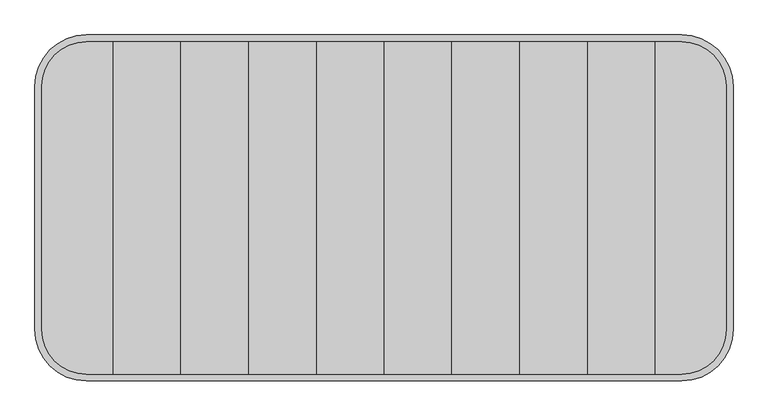
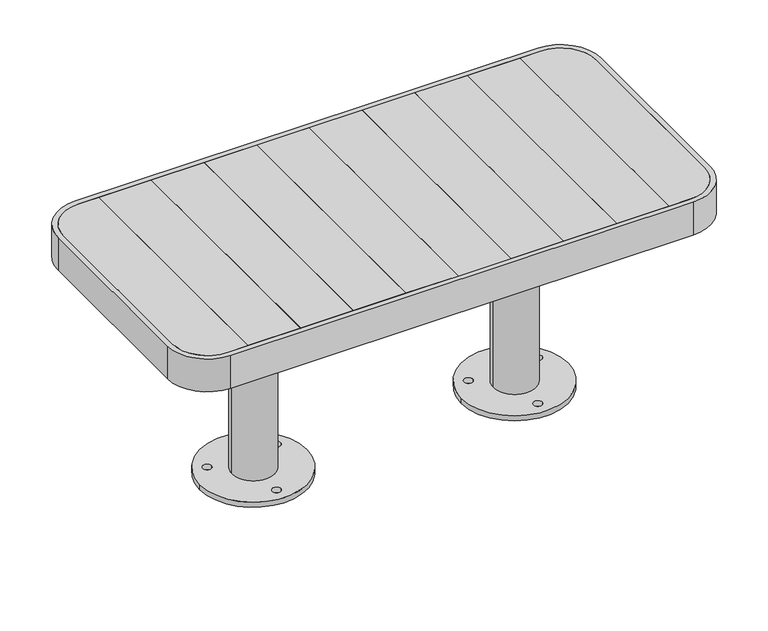
"""IFC4 building model written with IfcOpenShell, lengths in millimetres: furniture geometry."""

from ifc_helpers import new_model, si_unit, point, frame, frame_2d, origin, origin_with_axes, place, context, project, spatial, polyline, circle_curve, trimmed, segment, composite_curve, outline, extrude, source, transform, mapped, element, save
from ifc_brep_helpers import plane_surface, cylinder_surface, advanced_brep


def furniture_9f7af8c6(model_context):
    return source(origin(), model_context, "Body", "SolidModel", [
        extrude(outline(composite_curve([segment(trimmed(circle_curve(frame_2d((244.7728082, 0.0)), 100.0), [point((344.7728082, 0.0))], [point((144.7728082, 0.0))], False, "CARTESIAN"), True, "CONTINUOUS"), segment(trimmed(circle_curve(frame_2d((244.7728082, 0.0)), 100.0), [point((144.7728082, 0.0))], [point((344.7728082, 0.0))], False, "CARTESIAN"), True, "CONTINUOUS")], self_intersect=False), holes=[composite_curve([segment(trimmed(circle_curve(frame_2d((309.7299968, 37.4460209)), 8.0), [point((317.7299968, 37.4460209))], [point((301.7299968, 37.4460209))], True, "CARTESIAN"), True, "CONTINUOUS"), segment(trimmed(circle_curve(frame_2d((309.7299968, 37.4460209)), 8.0), [point((301.7299968, 37.4460209))], [point((317.7299968, 37.4460209))], True, "CARTESIAN"), True, "CONTINUOUS")], self_intersect=False), composite_curve([segment(trimmed(circle_curve(frame_2d((179.7299968, 37.4460209)), 8.0), [point((187.7299968, 37.4460209))], [point((171.7299968, 37.4460209))], True, "CARTESIAN"), True, "CONTINUOUS"), segment(trimmed(circle_curve(frame_2d((179.7299968, 37.4460209)), 8.0), [point((171.7299968, 37.4460209))], [point((187.7299968, 37.4460209))], True, "CARTESIAN"), True, "CONTINUOUS")], self_intersect=False), composite_curve([segment(trimmed(circle_curve(frame_2d((244.7299968, -75.1372816)), 8.0), [point((252.7299968, -75.1372816))], [point((236.7299968, -75.1372816))], True, "CARTESIAN"), True, "CONTINUOUS"), segment(trimmed(circle_curve(frame_2d((244.7299968, -75.1372816)), 8.0), [point((236.7299968, -75.1372816))], [point((252.7299968, -75.1372816))], True, "CARTESIAN"), True, "CONTINUOUS")], self_intersect=False)]), origin_with_axes(), (0.0, 0.0, 1.0), 9.9997207),
        extrude(outline(composite_curve([segment(trimmed(circle_curve(frame_2d((244.75, 0.0)), 40.0), [point((284.75, 0.0))], [point((204.75, 0.0))], False, "CARTESIAN"), True, "CONTINUOUS"), segment(trimmed(circle_curve(frame_2d((244.75, 0.0)), 40.0), [point((204.75, 0.0))], [point((284.75, 0.0))], False, "CARTESIAN"), True, "CONTINUOUS")], self_intersect=False)), origin_with_axes(), (0.0, 0.0, 1.0), 418.0),
        extrude(outline(composite_curve([segment(trimmed(circle_curve(frame_2d((-244.7728082, 0.0)), 100.0), [point((-344.7728082, 0.0))], [point((-144.7728082, 0.0))], False, "CARTESIAN"), True, "CONTINUOUS"), segment(trimmed(circle_curve(frame_2d((-244.7728082, 0.0)), 100.0), [point((-144.7728082, 0.0))], [point((-344.7728082, 0.0))], False, "CARTESIAN"), True, "CONTINUOUS")], self_intersect=False), holes=[composite_curve([segment(trimmed(circle_curve(frame_2d((-309.7299968, 37.4460209)), 8.0), [point((-317.7299968, 37.4460209))], [point((-301.7299968, 37.4460209))], True, "CARTESIAN"), True, "CONTINUOUS"), segment(trimmed(circle_curve(frame_2d((-309.7299968, 37.4460209)), 8.0), [point((-301.7299968, 37.4460209))], [point((-317.7299968, 37.4460209))], True, "CARTESIAN"), True, "CONTINUOUS")], self_intersect=False), composite_curve([segment(trimmed(circle_curve(frame_2d((-179.7299968, 37.4460209)), 8.0), [point((-187.7299968, 37.4460209))], [point((-171.7299968, 37.4460209))], True, "CARTESIAN"), True, "CONTINUOUS"), segment(trimmed(circle_curve(frame_2d((-179.7299968, 37.4460209)), 8.0), [point((-171.7299968, 37.4460209))], [point((-187.7299968, 37.4460209))], True, "CARTESIAN"), True, "CONTINUOUS")], self_intersect=False), composite_curve([segment(trimmed(circle_curve(frame_2d((-244.7299968, -75.1372816)), 8.0), [point((-252.7299968, -75.1372816))], [point((-236.7299968, -75.1372816))], True, "CARTESIAN"), True, "CONTINUOUS"), segment(trimmed(circle_curve(frame_2d((-244.7299968, -75.1372816)), 8.0), [point((-236.7299968, -75.1372816))], [point((-252.7299968, -75.1372816))], True, "CARTESIAN"), True, "CONTINUOUS")], self_intersect=False)]), origin_with_axes(), (0.0, 0.0, 1.0), 9.9997207),
        extrude(outline(composite_curve([segment(trimmed(circle_curve(frame_2d((-244.75, 0.0)), 40.0), [point((-284.75, 0.0))], [point((-204.75, 0.0))], False, "CARTESIAN"), True, "CONTINUOUS"), segment(trimmed(circle_curve(frame_2d((-244.75, 0.0)), 40.0), [point((-204.75, 0.0))], [point((-284.75, 0.0))], False, "CARTESIAN"), True, "CONTINUOUS")], self_intersect=False)), origin_with_axes(), (0.0, 0.0, 1.0), 418.0),
        extrude(outline(composite_curve([segment(polyline([(498.4574582, 177.0), (498.4574582, -177.0)]), True, "CONTINUOUS"), segment(trimmed(circle_curve(frame_2d((433.4574582, -177.0)), 65.0), [point((498.4574582, -177.0))], [point((433.4574582, -242.0))], False, "CARTESIAN"), True, "CONTINUOUS"), segment(polyline([(433.4574582, -242.0), (394.8, -242.0), (394.8, 242.0), (433.4574582, 242.0)]), True, "CONTINUOUS"), segment(trimmed(circle_curve(frame_2d((433.4574582, 177.0)), 65.0), [point((433.4574582, 242.0))], [point((498.4574582, 177.0))], False, "CARTESIAN"), True, "CONTINUOUS")], self_intersect=False)), frame((0.0, 0.0, 422.0), z_axis=(0.0, 0.0, 1.0), x_axis=(1.0, 0.0, 0.0)), (0.0, 0.0, 1.0), 28.0),
        extrude(outline(polyline([(296.1, -242.0), (197.4, -242.0), (197.4, 242.0), (296.1, 242.0), (296.1, -242.0)])), frame((0.0, 0.0, 422.0), z_axis=(0.0, 0.0, 1.0), x_axis=(1.0, 0.0, 0.0)), (0.0, 0.0, 1.0), 28.0),
        extrude(outline(polyline([(197.4, -242.0), (98.7, -242.0), (98.7, 242.0), (197.4, 242.0), (197.4, -242.0)])), frame((0.0, 0.0, 422.0), z_axis=(0.0, 0.0, 1.0), x_axis=(1.0, 0.0, 0.0)), (0.0, 0.0, 1.0), 28.0),
        extrude(outline(polyline([(98.7, -242.0), (0.0, -242.0), (0.0, 242.0), (98.7, 242.0), (98.7, -242.0)])), frame((0.0, 0.0, 422.0), z_axis=(0.0, 0.0, 1.0), x_axis=(1.0, 0.0, 0.0)), (0.0, 0.0, 1.0), 28.0),
        extrude(outline(polyline([(394.8, -242.0), (296.1, -242.0), (296.1, 242.0), (394.8, 242.0), (394.8, -242.0)])), frame((0.0, 0.0, 422.0), z_axis=(0.0, 0.0, 1.0), x_axis=(1.0, 0.0, 0.0)), (0.0, 0.0, 1.0), 28.0),
        advanced_brep(
        [(-498.4574582, 177.0, 418.0), (-433.4574582, 242.0, 418.0), (433.4574582, 242.0, 418.0), (498.4574582, 177.0, 418.0), (498.4574582, -177.0, 418.0), (433.4574582, -242.0, 418.0), (-433.4574582, -242.0, 418.0), (-498.4574582, -177.0, 418.0), (203.7333261, -142.0, 418.0), (203.7333261, 142.0, 418.0), (-203.7333261, 141.9911227, 418.0), (-203.7333261, -142.0, 418.0), (284.75, 142.0, 418.0), (284.75, -142.0, 418.0), (399.8, -142.0, 418.0), (399.8, 141.9868511, 418.0), (-399.8, -142.0, 418.0), (-284.75, -142.0, 418.0), (-284.75, 142.0, 418.0), (-399.8, 141.9868511, 418.0), (284.75, 141.9868511, 422.0), (284.75, -142.0, 422.0), (-498.4574582, 177.0, 422.0), (-498.4574582, -177.0, 422.0), (-433.4574582, -242.0, 422.0), (433.4574582, -242.0, 422.0), (498.4574582, -177.0, 422.0), (498.4574582, 177.0, 422.0), (433.4574582, 242.0, 422.0), (-433.4574582, 242.0, 422.0), (399.8, 141.9868511, 422.0), (399.8, -142.0, 422.0), (203.7333261, 142.0, 422.0), (203.7333261, -142.0, 422.0), (-203.7333261, -142.0, 422.0), (-203.7333261, 142.0, 422.0), (-399.8, 141.9868511, 422.0), (-284.75, 141.9893576, 422.0), (-284.75, -142.0, 422.0), (-399.8, -142.0, 422.0)],
        [
            (0, 1, circle_curve(frame((-433.4574582, 177.0, 418.0), z_axis=(0.0, 0.0, -1.0), x_axis=(1.0, 0.0, 0.0)), 65.0)),
            (1, 2),
            (2, 3, circle_curve(frame((433.4574582, 177.0, 418.0), z_axis=(0.0, 0.0, -1.0), x_axis=(-1.0, 0.0, 0.0)), 65.0)),
            (3, 4),
            (4, 5, circle_curve(frame((433.4574582, -177.0, 418.0), z_axis=(0.0, 0.0, -1.0), x_axis=(-1.0, 0.0, 0.0)), 65.0)),
            (5, 6),
            (6, 7, circle_curve(frame((-433.4574582, -177.0, 418.0), z_axis=(0.0, 0.0, -1.0), x_axis=(1.0, 0.0, 0.0)), 65.0)),
            (7, 0),
            (8, 9),
            (9, 10),
            (10, 11),
            (11, 8),
            (12, 13),
            (13, 14),
            (14, 15),
            (15, 12),
            (16, 17),
            (17, 18),
            (18, 19),
            (19, 16),
            (12, 20),
            (20, 21),
            (21, 13),
            (22, 23),
            (23, 24, circle_curve(frame((-433.4574582, -177.0, 422.0), z_axis=(0.0, 0.0, 1.0), x_axis=(1.0, 0.0, 0.0)), 65.0)),
            (24, 25),
            (25, 26, circle_curve(frame((433.4574582, -177.0, 422.0), z_axis=(0.0, 0.0, 1.0), x_axis=(-1.0, 0.0, 0.0)), 65.0)),
            (26, 27),
            (27, 28, circle_curve(frame((433.4574582, 177.0, 422.0), z_axis=(0.0, 0.0, 1.0), x_axis=(-1.0, 0.0, 0.0)), 65.0)),
            (28, 29),
            (29, 22, circle_curve(frame((-433.4574582, 177.0, 422.0), z_axis=(0.0, 0.0, 1.0), x_axis=(1.0, 0.0, 0.0)), 65.0)),
            (20, 30),
            (30, 31),
            (31, 21),
            (32, 33),
            (33, 34),
            (34, 35),
            (35, 32),
            (36, 37),
            (37, 38),
            (38, 39),
            (39, 36),
            (8, 33),
            (32, 9),
            (22, 0),
            (7, 23),
            (6, 24),
            (5, 25),
            (4, 26),
            (3, 27),
            (2, 28),
            (1, 29),
            (35, 10),
            (36, 19),
            (18, 37),
            (15, 30),
            (14, 31),
            (11, 34),
            (16, 39),
            (38, 17),
        ],
        [
            plane_surface(frame((203.7333261, -142.0, 418.0), z_axis=(0.0, 0.0, -1.0), x_axis=(0.0, 1.0, 0.0))),
            plane_surface(frame((284.75, -142.0, 418.0), z_axis=(1.0, 0.0, 0.0), x_axis=(0.0, 1.0, 0.0))),
            plane_surface(frame((284.75, -142.0, 422.0), z_axis=(0.0, 0.0, 1.0), x_axis=(0.0, 1.0, 0.0))),
            plane_surface(frame((203.7333261, -142.0, 422.0), z_axis=(-1.0, 0.0, 0.0), x_axis=(0.0, 1.0, 0.0))),
            plane_surface(frame((-498.4574582, 177.0, 422.0), z_axis=(-1.0, 0.0, 0.0), x_axis=(0.0, 0.0, -1.0))),
            cylinder_surface(frame((-433.4574582, -177.0, 418.0), z_axis=(0.0, 0.0, 1.0), x_axis=(1.0, 0.0, 0.0)), 65.0),
            plane_surface(frame((-433.4574582, -242.0, 422.0), z_axis=(0.0, -1.0, 0.0), x_axis=(0.0, 0.0, -1.0))),
            cylinder_surface(frame((433.4574582, -177.0, 418.0), z_axis=(0.0, 0.0, 1.0), x_axis=(-1.0, 0.0, 0.0)), 65.0),
            plane_surface(frame((498.4574582, -177.0, 422.0), z_axis=(1.0, 0.0, 0.0), x_axis=(0.0, 0.0, -1.0))),
            cylinder_surface(frame((433.4574582, 177.0, 418.0), z_axis=(0.0, 0.0, 1.0), x_axis=(-1.0, 0.0, 0.0)), 65.0),
            plane_surface(frame((433.4574582, 242.0, 422.0), z_axis=(0.0, 1.0, 0.0), x_axis=(0.0, 0.0, -1.0))),
            cylinder_surface(frame((-433.4574582, 177.0, 418.0), z_axis=(0.0, 0.0, 1.0), x_axis=(1.0, 0.0, 0.0)), 65.0),
            plane_surface(frame((-399.8, 141.9868511, 422.0), z_axis=(0.0, -1.0, 0.0), x_axis=(0.0, 0.0, -1.0))),
            plane_surface(frame((399.8, 141.9868511, 422.0), z_axis=(-1.0, 0.0, 0.0), x_axis=(0.0, 0.0, -1.0))),
            plane_surface(frame((399.8, -142.0, 422.0), z_axis=(0.0, 1.0, 0.0), x_axis=(0.0, 0.0, -1.0))),
            plane_surface(frame((-399.8, -142.0, 422.0), z_axis=(1.0, 0.0, 0.0), x_axis=(0.0, 0.0, -1.0))),
            plane_surface(frame((-284.75, -142.0, 422.0), z_axis=(-1.0, 0.0, 0.0), x_axis=(0.0, 1.0, 0.0))),
            plane_surface(frame((-203.7333261, -142.0, 418.0), z_axis=(1.0, 0.0, 0.0), x_axis=(0.0, 1.0, 0.0))),
        ],
        [
            (0, [[1, 2, 3, 4, 5, 6, 7, 8], [9, 10, 11, 12], [13, 14, 15, 16], [17, 18, 19, 20]]),
            (1, [[-13, 21, 22, 23]]),
            (2, [[24, 25, 26, 27, 28, 29, 30, 31], [-22, 32, 33, 34], [35, 36, 37, 38], [39, 40, 41, 42]]),
            (3, [[-9, 43, -35, 44]]),
            (4, [[-24, 45, -8, 46]]),
            (5, [[-25, -46, -7, 47]]),
            (6, [[-26, -47, -6, 48]]),
            (7, [[-27, -48, -5, 49]]),
            (8, [[-28, -49, -4, 50]]),
            (9, [[-29, -50, -3, 51]]),
            (10, [[-30, -51, -2, 52]]),
            (11, [[-31, -52, -1, -45]]),
            (12, [[-44, -38, 53, -10]]),
            (12, [[54, -19, 55, -39]]),
            (12, [[56, -32, -21, -16]]),
            (13, [[-33, -56, -15, 57]]),
            (14, [[-43, -12, 58, -36]]),
            (14, [[-57, -14, -23, -34]]),
            (14, [[59, -41, 60, -17]]),
            (15, [[-42, -59, -20, -54]]),
            (16, [[-18, -60, -40, -55]]),
            (17, [[-11, -53, -37, -58]]),
        ],
    ),
        extrude(outline(composite_curve([segment(trimmed(circle_curve(frame_2d((-433.4574582, 177.0)), 65.0), [point((-498.4574582, 177.0))], [point((-433.4574582, 242.0))], False, "CARTESIAN"), True, "CONTINUOUS"), segment(polyline([(-433.4574582, 242.0), (-394.8, 242.0), (-394.8, -242.0), (-433.4574582, -242.0)]), True, "CONTINUOUS"), segment(trimmed(circle_curve(frame_2d((-433.4574582, -177.0)), 65.0), [point((-433.4574582, -242.0))], [point((-498.4574582, -177.0))], False, "CARTESIAN"), True, "CONTINUOUS"), segment(polyline([(-498.4574582, -177.0), (-498.4574582, 177.0)]), True, "CONTINUOUS")], self_intersect=False)), frame((0.0, 0.0, 422.0), z_axis=(0.0, 0.0, 1.0), x_axis=(1.0, 0.0, 0.0)), (0.0, 0.0, 1.0), 28.0),
        extrude(outline(polyline([(-197.4, -242.0), (-296.1, -242.0), (-296.1, 242.0), (-197.4, 242.0), (-197.4, -242.0)])), frame((0.0, 0.0, 422.0), z_axis=(0.0, 0.0, 1.0), x_axis=(1.0, 0.0, 0.0)), (0.0, 0.0, 1.0), 28.0),
        extrude(outline(polyline([(-98.7, -242.0), (-197.4, -242.0), (-197.4, 242.0), (-98.7, 242.0), (-98.7, -242.0)])), frame((0.0, 0.0, 422.0), z_axis=(0.0, 0.0, 1.0), x_axis=(1.0, 0.0, 0.0)), (0.0, 0.0, 1.0), 28.0),
        extrude(outline(polyline([(0.0, -242.0), (-98.7, -242.0), (-98.7, 242.0), (0.0, 242.0), (0.0, -242.0)])), frame((0.0, 0.0, 422.0), z_axis=(0.0, 0.0, 1.0), x_axis=(1.0, 0.0, 0.0)), (0.0, 0.0, 1.0), 28.0),
        extrude(outline(polyline([(-296.1, -242.0), (-394.8, -242.0), (-394.8, 242.0), (-296.1, 242.0), (-296.1, -242.0)])), frame((0.0, 0.0, 422.0), z_axis=(0.0, 0.0, 1.0), x_axis=(1.0, 0.0, 0.0)), (0.0, 0.0, 1.0), 28.0),
        extrude(outline(composite_curve([segment(polyline([(508.4574582, 177.0), (508.4574582, -177.0)]), True, "CONTINUOUS"), segment(trimmed(circle_curve(frame_2d((433.4574582, -177.0)), 75.0), [point((508.4574582, -177.0))], [point((433.4574582, -252.0))], False, "CARTESIAN"), True, "CONTINUOUS"), segment(polyline([(433.4574582, -252.0), (-433.4574582, -252.0)]), True, "CONTINUOUS"), segment(trimmed(circle_curve(frame_2d((-433.4574582, -177.0)), 75.0), [point((-433.4574582, -252.0))], [point((-508.4574582, -177.0))], False, "CARTESIAN"), True, "CONTINUOUS"), segment(polyline([(-508.4574582, -177.0), (-508.4574582, 177.0)]), True, "CONTINUOUS"), segment(trimmed(circle_curve(frame_2d((-433.4574582, 177.0)), 75.0), [point((-508.4574582, 177.0))], [point((-433.4574582, 252.0))], False, "CARTESIAN"), True, "CONTINUOUS"), segment(polyline([(-433.4574582, 252.0), (433.4574582, 252.0)]), True, "CONTINUOUS"), segment(trimmed(circle_curve(frame_2d((433.4574582, 177.0)), 75.0), [point((433.4574582, 252.0))], [point((508.4574582, 177.0))], False, "CARTESIAN"), True, "CONTINUOUS")], self_intersect=False), holes=[composite_curve([segment(trimmed(circle_curve(frame_2d((-433.4574582, 177.0)), 65.0), [point((-433.4574582, 242.0))], [point((-498.4574582, 177.0))], True, "CARTESIAN"), True, "CONTINUOUS"), segment(polyline([(-498.4574582, 177.0), (-498.4574582, -177.0)]), True, "CONTINUOUS"), segment(trimmed(circle_curve(frame_2d((-433.4574582, -177.0)), 65.0), [point((-498.4574582, -177.0))], [point((-433.4574582, -242.0))], True, "CARTESIAN"), True, "CONTINUOUS"), segment(polyline([(-433.4574582, -242.0), (433.4574582, -242.0)]), True, "CONTINUOUS"), segment(trimmed(circle_curve(frame_2d((433.4574582, -177.0)), 65.0), [point((433.4574582, -242.0))], [point((498.4574582, -177.0))], True, "CARTESIAN"), True, "CONTINUOUS"), segment(polyline([(498.4574582, -177.0), (498.4574582, 177.0)]), True, "CONTINUOUS"), segment(trimmed(circle_curve(frame_2d((433.4574582, 177.0)), 65.0), [point((498.4574582, 177.0))], [point((433.4574582, 242.0))], True, "CARTESIAN"), True, "CONTINUOUS"), segment(polyline([(433.4574582, 242.0), (-433.4574582, 242.0)]), True, "CONTINUOUS")], self_intersect=False)]), frame((0.0, 0.0, 385.0000413), z_axis=(0.0, 0.0, 1.0), x_axis=(1.0, 0.0, 0.0)), (0.0, 0.0, 1.0), 64.9999587),
    ])


if __name__ == "__main__":
    model = new_model("IFC4")
    model_context = context("Model", 3, world=origin())
    ifc_project = project(units=[si_unit("LENGTHUNIT", "METRE", prefix="MILLI")], contexts=[model_context])
    site = spatial("IfcSite", under=ifc_project)
    building = spatial("IfcBuilding", under=site)
    placement = place(None, origin())
    furniture_shape = furniture_9f7af8c6(model_context)
    element("IfcFurniture", 1, at=placement, inside=building, context=model_context, shape_type="MappedRepresentation", body=[
        mapped(furniture_shape, transform((0.0, 0.0, 0.0), x_axis=(1.0, 0.0, 0.0), y_axis=(0.0, 1.0, 0.0), z_axis=(0.0, 0.0, 1.0))),
    ])
    save(model, "model.ifc")
